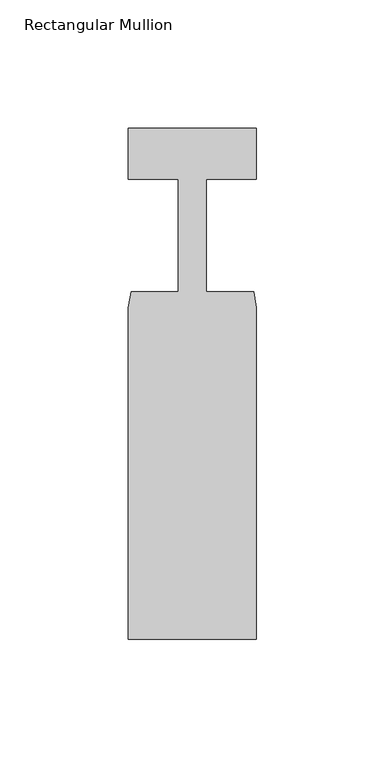
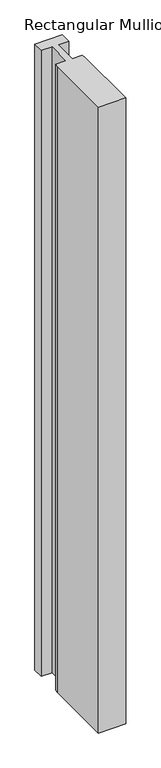
"""IFC4 building model written with IfcOpenShell, lengths in millimetres: member geometry, Rectangular Mullion."""

from ifc_helpers import new_model, si_unit, frame, origin, place, context, project, spatial, polyline, outline, extrude, source, transform, mapped, element, save


def rectangular_mullion_0eb6b222(model_context):
    return source(origin(), model_context, "Body", "SweptSolid", [
        extrude(outline(polyline([(25.0, -152.3), (-25.0, -152.3), (-25.0, -23.0), (-23.9, -16.8), (-5.4999999, -16.8), (-5.4999999, 27.0), (-25.0, 27.0), (-25.0, 47.0), (25.0, 47.0), (25.0, 27.0), (5.5, 27.0), (5.5, -16.8), (23.9, -16.8), (25.0, -23.0), (25.0, -152.3)])), frame((0.0, 0.0, -1200.0), z_axis=(0.0, 0.0, 1.0), x_axis=(1.0, 0.0, 0.0)), (0.0, 0.0, 1.0), 1200.0),
    ])


if __name__ == "__main__":
    model = new_model("IFC4")
    model_context = context("Model", 3, world=origin())
    ifc_project = project(units=[si_unit("LENGTHUNIT", "METRE", prefix="MILLI")], contexts=[model_context])
    site = spatial("IfcSite", under=ifc_project)
    building = spatial("IfcBuilding", under=site)
    placement = place(None, origin())
    rectangular_mullion_shape = rectangular_mullion_0eb6b222(model_context)
    element("IfcMember", 1, ObjectType="Rectangular Mullion", at=placement, inside=building, context=model_context, shape_type="MappedRepresentation", body=[
        mapped(rectangular_mullion_shape, transform((0.0, 0.0, 0.0), x_axis=(1.0, 0.0, 0.0), y_axis=(0.0, 1.0, 0.0), z_axis=(0.0, 0.0, 1.0))),
    ])
    save(model, "model.ifc")
